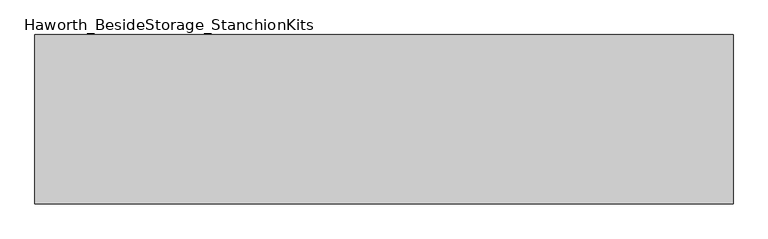
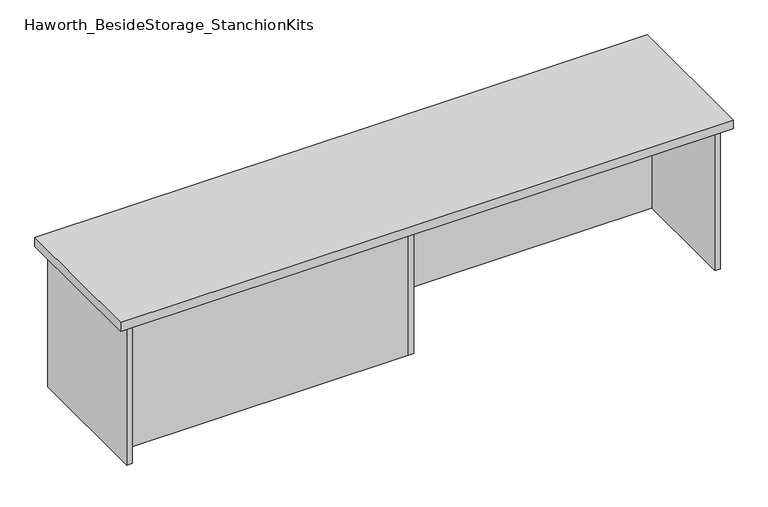
"""IFC4 building model written with IfcOpenShell, lengths in millimetres: furniture geometry, Haworth_BesideStorage_StanchionKits."""

import ifcopenshell
import ifcopenshell.guid

model = None  # the IFC model being written
_history = None  # IfcOwnerHistory: only IFC2X3 demands one
_inside = {}  # id of a spatial element -> (the spatial element, [elements in it])
_under = {}  # id of a project, library or spatial element -> (it, [spatial elements below it])
_declared = {}  # id of a project -> (the project, [libraries it declares])
_typed = {}  # id of a type object -> (the type object, [elements of that type])
_made_of = {}  # id of a material, layer set ... -> (it, [elements and type objects made of it])


def new_model(schema):
    """Start an empty IFC model of exactly this schema.

    Asked for "IFC4X3", IfcOpenShell would pick the latest addendum, in which some entities
    have other attributes; the version numbers below select the first issue.
    IFC2X3 requires an IfcOwnerHistory on every rooted entity: one is made here for all.
    """
    global model, _history
    if schema == "IFC4X3":
        model = ifcopenshell.file(schema_version=(4, 3, 0, 0))
    else:
        model = ifcopenshell.file(schema=schema)
    _inside.clear()
    _under.clear()
    _declared.clear()
    _typed.clear()
    _made_of.clear()
    _history = None
    if model.schema == "IFC2X3":
        org = make("IfcOrganization", Name="unknown")
        user = make(
            "IfcPersonAndOrganization",
            ThePerson=make("IfcPerson", FamilyName="unknown"),
            TheOrganization=org,
        )
        app = make(
            "IfcApplication",
            ApplicationDeveloper=org,
            Version="unknown",
            ApplicationFullName="unknown",
            ApplicationIdentifier="unknown",
        )
        _history = make(
            "IfcOwnerHistory",
            OwningUser=user,
            OwningApplication=app,
            ChangeAction="ADDED",
            CreationDate=0,
        )
    return model


def make(cls, **values):
    """One entity of the class cls with the attributes given. An attribute that is None is left unset."""
    return model.create_entity(
        cls, **{name: value for name, value in values.items() if value is not None}
    )


def rooted(cls, **values):
    """An entity with a GlobalId (a new one), such as an element, a storey or a relation."""
    return make(cls, GlobalId=ifcopenshell.guid.new(), OwnerHistory=_history, **values)


def si_unit(unit_type, name, prefix=None):
    """IfcSIUnit, for example si_unit("LENGTHUNIT", "METRE", prefix="MILLI")."""
    return make("IfcSIUnit", UnitType=unit_type, Prefix=prefix, Name=name)


def assignment(units):
    """IfcUnitAssignment: the units of a project."""
    return None if units is None else make("IfcUnitAssignment", Units=units)


def point(xyz):
    """IfcCartesianPoint."""
    return None if xyz is None else make("IfcCartesianPoint", Coordinates=xyz)


def direction(xyz):
    """IfcDirection."""
    return None if xyz is None else make("IfcDirection", DirectionRatios=xyz)


def frame(location, z_axis=None, x_axis=None):
    """IfcAxis2Placement3D, a coordinate frame: its origin and axes. An axis left out is left unset."""
    return make(
        "IfcAxis2Placement3D",
        Location=point(location),
        Axis=direction(z_axis),
        RefDirection=direction(x_axis),
    )


def origin():
    """The frame at (0, 0, 0) with its axes left unset."""
    return frame((0.0, 0.0, 0.0))


def place(relative_to, where):
    """IfcLocalPlacement: puts the frame where relative to a parent placement (None: the world)."""
    return make(
        "IfcLocalPlacement", PlacementRelTo=relative_to, RelativePlacement=where
    )


def context(
    kind, dimensions, precision=None, world=None, true_north=None, identifier=None
):
    """IfcGeometricRepresentationContext, for example the 3D "Model" context."""
    return make(
        "IfcGeometricRepresentationContext",
        ContextIdentifier=identifier,
        ContextType=kind,
        CoordinateSpaceDimension=dimensions,
        Precision=precision,
        WorldCoordinateSystem=world,
        TrueNorth=true_north,
    )


def project(units=None, contexts=None):
    """IfcProject with its units and contexts."""
    return rooted(
        "IfcProject",
        Name="project",
        RepresentationContexts=contexts,
        UnitsInContext=assignment(units),
    )


def spatial(cls, under=None, at=None, **own):
    """A site, building, storey or space (cls), placed at a placement, below another one or the project."""
    s = rooted(cls, ObjectPlacement=at, **own)
    if under is not None:
        _under.setdefault(under.id(), (under, []))[1].append(s)
    return s


def polyline(points):
    """IfcPolyline through the points."""
    return make("IfcPolyline", Points=[point(p) for p in points])


def outline(outer, holes=None, kind="AREA"):
    """IfcArbitraryClosedProfileDef: a profile drawn as a closed curve; with holes, ...WithVoids."""
    if holes is None:
        return make("IfcArbitraryClosedProfileDef", ProfileType=kind, OuterCurve=outer)
    return make(
        "IfcArbitraryProfileDefWithVoids",
        ProfileType=kind,
        OuterCurve=outer,
        InnerCurves=holes,
    )


def extrude(swept, where, along, depth):
    """IfcExtrudedAreaSolid: the profile swept, set in the frame where, extruded along a direction by depth."""
    return make(
        "IfcExtrudedAreaSolid",
        SweptArea=swept,
        Position=where,
        ExtrudedDirection=direction(along),
        Depth=depth,
    )


def shape(context_of_items, identifier, shape_type, items):
    """IfcShapeRepresentation: the items that make up one representation, for example the "Body"."""
    return make(
        "IfcShapeRepresentation",
        ContextOfItems=context_of_items,
        RepresentationIdentifier=identifier,
        RepresentationType=shape_type,
        Items=items,
    )


def source(mapping_origin, context_of_items, identifier, shape_type, items):
    """IfcRepresentationMap: a shape defined once, which mapped items show again and again."""
    return make(
        "IfcRepresentationMap",
        MappingOrigin=mapping_origin,
        MappedRepresentation=shape(context_of_items, identifier, shape_type, items),
    )


def transform(
    local_origin,
    x_axis=None,
    y_axis=None,
    z_axis=None,
    scale=None,
    scale2=None,
    scale3=None,
    uniform=True,
):
    """IfcCartesianTransformationOperator3D, or its non-uniform kind. x_axis, y_axis, z_axis: its Axis1, 2, 3."""
    if uniform:
        return make(
            "IfcCartesianTransformationOperator3D",
            Axis1=direction(x_axis),
            Axis2=direction(y_axis),
            LocalOrigin=point(local_origin),
            Scale=scale,
            Axis3=direction(z_axis),
        )
    return make(
        "IfcCartesianTransformationOperator3DnonUniform",
        Axis1=direction(x_axis),
        Axis2=direction(y_axis),
        LocalOrigin=point(local_origin),
        Scale=scale,
        Axis3=direction(z_axis),
        Scale2=scale2,
        Scale3=scale3,
    )


def mapped(mapping_source, mapping_target):
    """IfcMappedItem: shows the shape of a source again, moved by a transform."""
    return make(
        "IfcMappedItem", MappingSource=mapping_source, MappingTarget=mapping_target
    )


def made_of(thing, what):
    """Note that an element or type object is made of a material, layer set ...; save() writes the relation."""
    if what is not None:
        _made_of.setdefault(what.id(), (what, []))[1].append(thing)
    return thing


def element(
    cls,
    number,
    at=None,
    inside=None,
    cuts=None,
    type_object=None,
    material=None,
    context=None,
    identifier="Body",
    shape_type=None,
    held_by="IfcProductDefinitionShape",
    body=None,
    shapes=None,
    **own,
):
    """One element of the class cls, such as IfcWall. Its Tag is "e" and its number.

    at: its placement. inside: the storey or other place that contains it. cuts: it is an
    opening in that element (IfcRelVoidsElement). A single representation is given by context,
    identifier, shape_type and body (its items); several are given by shapes. held_by: the class
    of the entity that holds the representations. save() writes the other relations.
    """
    e = rooted(cls, Tag="e%d" % number, ObjectPlacement=at, **own)
    if body is not None:
        shapes = [shape(context, identifier, shape_type, body)]
    if shapes is not None:
        e.Representation = make(held_by, Representations=shapes)
    if inside is not None:
        _inside.setdefault(inside.id(), (inside, []))[1].append(e)
    if cuts is not None:
        rooted(
            "IfcRelVoidsElement", RelatingBuildingElement=cuts, RelatedOpeningElement=e
        )
    if type_object is not None:
        _typed.setdefault(type_object.id(), (type_object, []))[1].append(e)
    return made_of(e, material)


def aggregate(whole, parts):
    """IfcRelAggregates: a whole, such as a stair, and the parts it consists of."""
    return rooted("IfcRelAggregates", RelatingObject=whole, RelatedObjects=parts)


def save(model, path):
    """Write the relations noted so far, then the file.

    IfcRelAggregates (storeys below a building ...), IfcRelContainedInSpatialStructure (elements
    in a storey), IfcRelDefinesByType, IfcRelAssociatesMaterial and IfcRelDeclares: one each for
    every whole, place, type object, material and project.
    """
    for whole, parts in _under.values():
        aggregate(whole, parts)
    for where, things in _inside.values():
        rooted(
            "IfcRelContainedInSpatialStructure",
            RelatedElements=things,
            RelatingStructure=where,
        )
    for kind, things in _typed.values():
        rooted("IfcRelDefinesByType", RelatedObjects=things, RelatingType=kind)
    for what, things in _made_of.values():
        rooted("IfcRelAssociatesMaterial", RelatedObjects=things, RelatingMaterial=what)
    for by, libraries in _declared.values():
        rooted("IfcRelDeclares", RelatingContext=by, RelatedDefinitions=libraries)
    model.write(path)


def haworth_besidestorage_stanchionkits_ab890c56(model_context):
    return source(origin(), model_context, "Body", "SweptSolid", [
        extrude(outline(polyline([(1000.125, 0.0), (1000.125, -406.4), (-676.275, -406.4), (-676.275, 0.0), (1000.125, 0.0)])), frame((0.0, 0.0, 838.2), z_axis=(0.0, 0.0, 1.0), x_axis=(1.0, 0.0, 0.0)), (0.0, 0.0, 1.0), 25.4),
        extrude(outline(polyline([(169.8625, -76.2), (958.85, -76.2), (958.85, -92.075), (169.8625, -92.075), (169.8625, -76.2)])), frame((0.0, 0.0, 431.8), z_axis=(0.0, 0.0, 1.0), x_axis=(1.0, 0.0, 0.0)), (0.0, 0.0, 1.0), 406.4),
        extrude(outline(polyline([(153.9875, -314.325), (153.9875, -330.2), (-635.0, -330.2), (-635.0, -314.325), (153.9875, -314.325)])), frame((0.0, 0.0, 431.8), z_axis=(0.0, 0.0, 1.0), x_axis=(1.0, 0.0, 0.0)), (0.0, 0.0, 1.0), 406.4),
        extrude(outline(polyline([(169.8625, -330.2), (153.9875, -330.2), (153.9875, -76.2), (169.8625, -76.2), (169.8625, -330.2)])), frame((0.0, 0.0, 431.8), z_axis=(0.0, 0.0, 1.0), x_axis=(1.0, 0.0, 0.0)), (0.0, 0.0, 1.0), 406.4),
        extrude(outline(polyline([(974.725, -390.525), (958.85, -390.525), (958.85, -15.875), (974.725, -15.875), (974.725, -390.525)])), frame((0.0, 0.0, 431.8), z_axis=(0.0, 0.0, 1.0), x_axis=(1.0, 0.0, 0.0)), (0.0, 0.0, 1.0), 406.4),
        extrude(outline(polyline([(-635.0, -390.525), (-650.875, -390.525), (-650.875, -15.875), (-635.0, -15.875), (-635.0, -390.525)])), frame((0.0, 0.0, 431.8), z_axis=(0.0, 0.0, 1.0), x_axis=(1.0, 0.0, 0.0)), (0.0, 0.0, 1.0), 406.4),
    ])


if __name__ == "__main__":
    model = new_model("IFC4")
    model_context = context("Model", 3, world=origin())
    ifc_project = project(units=[si_unit("LENGTHUNIT", "METRE", prefix="MILLI")], contexts=[model_context])
    site = spatial("IfcSite", under=ifc_project)
    building = spatial("IfcBuilding", under=site)
    placement = place(None, origin())
    haworth_besidestorage_stanchionkits_shape = haworth_besidestorage_stanchionkits_ab890c56(model_context)
    element("IfcFurniture", 1, ObjectType="Haworth_BesideStorage_StanchionKits", at=placement, inside=building, context=model_context, shape_type="MappedRepresentation", body=[
        mapped(haworth_besidestorage_stanchionkits_shape, transform((0.0, 0.0, 0.0), x_axis=(1.0, 0.0, 0.0), y_axis=(0.0, 1.0, 0.0), z_axis=(0.0, 0.0, 1.0))),
    ])
    save(model, "model.ifc")
